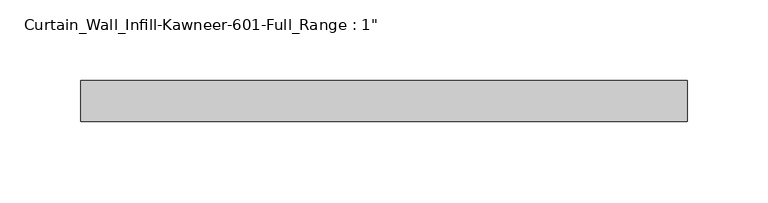
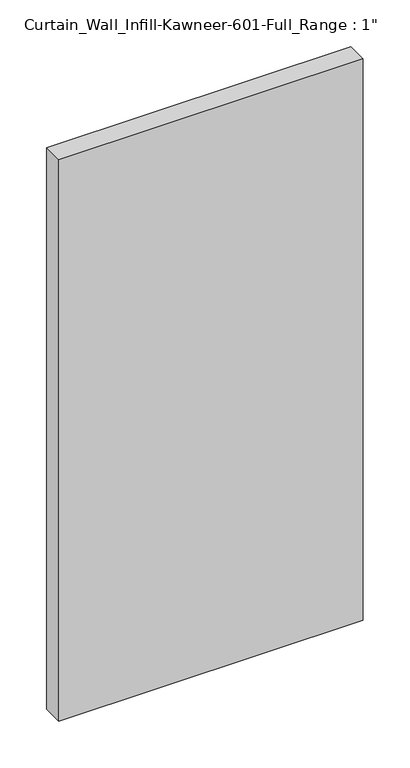
"""IFC4 building model written with IfcOpenShell, lengths in millimetres: plate geometry."""

from ifc_helpers import new_model, si_unit, origin, origin_with_axes, place, context, project, spatial, polyline, outline, extrude, source, transform, mapped, element, save


def plate_01f9a46d(model_context):
    return source(origin(), model_context, "Body", "SweptSolid", [
        extrude(outline(polyline([(-187.325, -12.7), (-187.325, 12.7), (187.325, 12.7), (187.325, -12.7), (-187.325, -12.7)])), origin_with_axes(), (0.0, 0.0, 1.0), 730.25),
    ])


if __name__ == "__main__":
    model = new_model("IFC4")
    model_context = context("Model", 3, world=origin())
    ifc_project = project(units=[si_unit("LENGTHUNIT", "METRE", prefix="MILLI")], contexts=[model_context])
    site = spatial("IfcSite", under=ifc_project)
    building = spatial("IfcBuilding", under=site)
    placement = place(None, origin())
    plate_shape = plate_01f9a46d(model_context)
    element("IfcPlate", 1, ObjectType="Curtain_Wall_Infill-Kawneer-601-Full_Range : 1\"", at=placement, inside=building, context=model_context, shape_type="MappedRepresentation", body=[
        mapped(plate_shape, transform((0.0, 0.0, 0.0), x_axis=(1.0, 0.0, 0.0), y_axis=(0.0, 1.0, 0.0), z_axis=(0.0, 0.0, 1.0))),
    ])
    save(model, "model.ifc")
